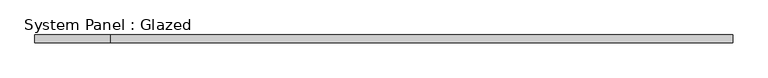
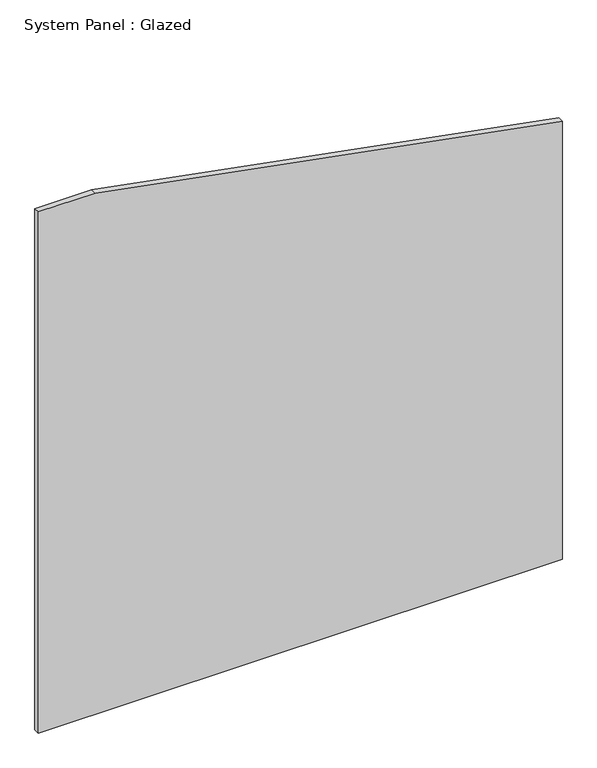
"""IFC4 building model written with IfcOpenShell, lengths in millimetres: plate geometry, System Panel : Glazed."""

from ifc_helpers import new_model, si_unit, frame, origin, place, context, project, spatial, polyline, outline, extrude, source, transform, mapped, element, save


def system_panel_glazed_883abc4a(model_context):
    return source(origin(), model_context, "Body", "SweptSolid", [
        extrude(outline(polyline([(0.0, -1141.6340625), (0.0, 1141.6340625), (2018.5013173, 1141.6340625), (2400.0, -894.2064081), (2400.0, -1141.6340625), (0.0, -1141.6340625)])), frame((0.0, 24.5, 0.0), z_axis=(0.0, 1.0, 0.0), x_axis=(0.0, 0.0, 1.0)), (0.0, 0.0, 1.0), 25.0),
    ])


if __name__ == "__main__":
    model = new_model("IFC4")
    model_context = context("Model", 3, world=origin())
    ifc_project = project(units=[si_unit("LENGTHUNIT", "METRE", prefix="MILLI")], contexts=[model_context])
    site = spatial("IfcSite", under=ifc_project)
    building = spatial("IfcBuilding", under=site)
    placement = place(None, origin())
    system_panel_glazed_shape = system_panel_glazed_883abc4a(model_context)
    element("IfcPlate", 1, ObjectType="System Panel : Glazed", at=placement, inside=building, context=model_context, shape_type="MappedRepresentation", body=[
        mapped(system_panel_glazed_shape, transform((0.0, 0.0, 0.0), x_axis=(1.0, 0.0, 0.0), y_axis=(0.0, 1.0, 0.0), z_axis=(0.0, 0.0, 1.0))),
    ])
    save(model, "model.ifc")
